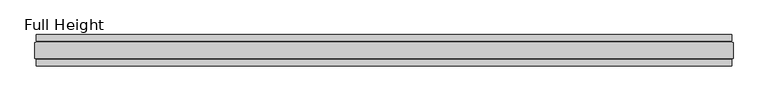
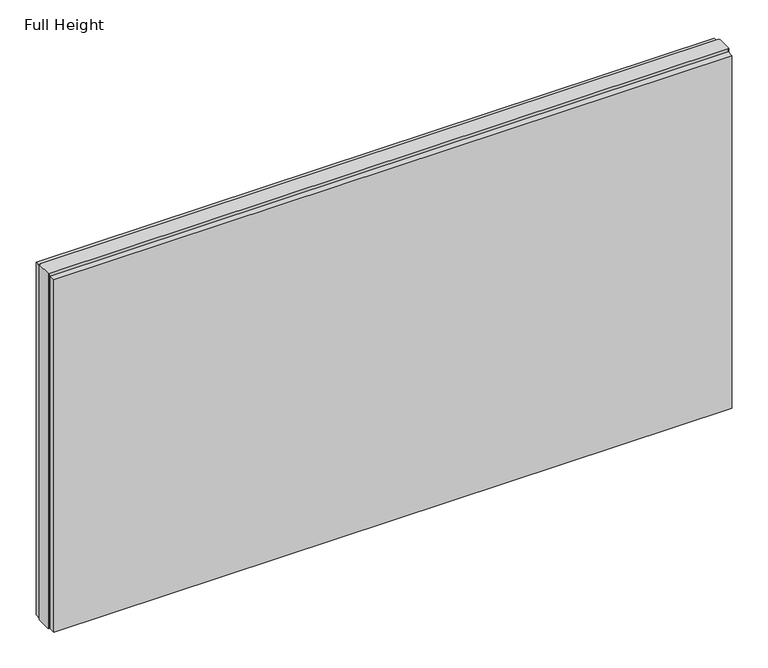
"""IFC4 building model written with IfcOpenShell, lengths in millimetres: plate geometry, Full Height."""

from ifc_helpers import new_model, si_unit, origin, origin_with_axes, place, context, project, spatial, polyline, outline, extrude, source, transform, mapped, element, save


def full_height_7574e420(model_context):
    return source(origin(), model_context, "Body", "SweptSolid", [
        extrude(outline(polyline([(1100.328, 28.956), (-1100.328, 28.956), (-1100.328, 49.53), (1100.328, 49.53), (1100.328, 28.956)])), origin_with_axes(), (0.0, 0.0, 1.0), 1210.056),
        extrude(outline(polyline([(1100.328, -28.956), (1100.328, -49.53), (-1100.328, -49.53), (-1100.328, -28.956), (1100.328, -28.956)])), origin_with_axes(), (0.0, 0.0, 1.0), 1210.056),
        extrude(outline(polyline([(1100.328, -25.146), (1100.328, -26.67), (-1100.328, -26.67), (-1100.328, -25.146), (-1104.9, -25.146), (-1104.9, 25.146), (-1100.328, 25.146), (-1100.328, 26.67), (1100.328, 26.67), (1100.328, 25.146), (1104.9, 25.146), (1104.9, -25.146), (1100.328, -25.146)])), origin_with_axes(), (0.0, 0.0, 1.0), 1219.2),
    ])


if __name__ == "__main__":
    model = new_model("IFC4")
    model_context = context("Model", 3, world=origin())
    ifc_project = project(units=[si_unit("LENGTHUNIT", "METRE", prefix="MILLI")], contexts=[model_context])
    site = spatial("IfcSite", under=ifc_project)
    building = spatial("IfcBuilding", under=site)
    placement = place(None, origin())
    full_height_shape = full_height_7574e420(model_context)
    element("IfcPlate", 1, ObjectType="Full Height", at=placement, inside=building, context=model_context, shape_type="MappedRepresentation", body=[
        mapped(full_height_shape, transform((0.0, 0.0, 0.0), x_axis=(1.0, 0.0, 0.0), y_axis=(0.0, 1.0, 0.0), z_axis=(0.0, 0.0, 1.0))),
    ])
    save(model, "model.ifc")
